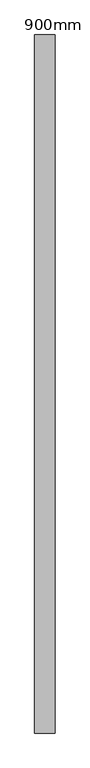
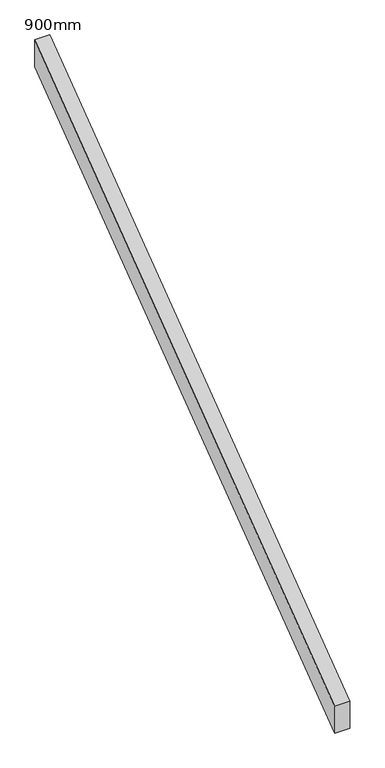
"""IFC4 building model written with IfcOpenShell, lengths in millimetres: railing geometry, 900mm."""

from ifc_helpers import new_model, si_unit, frame, origin, place, context, project, spatial, polyline, outline, extrude, source, transform, mapped, element, save


def railing_900mm_837cfbd9(model_context):
    return source(origin(), model_context, "Body", "SweptSolid", [
        extrude(outline(polyline([(47632.3789291, 4357.25), (47632.3789291, 4452.5), (49382.3789291, 5765.0), (49382.3789291, 5669.75), (47632.3789291, 4357.25)])), frame((152414.7530841, 0.0, 0.0), z_axis=(1.0, 0.0, 0.0), x_axis=(0.0, 1.0, 0.0)), (0.0, 0.0, 1.0), 50.8),
    ])


if __name__ == "__main__":
    model = new_model("IFC4")
    model_context = context("Model", 3, world=origin())
    ifc_project = project(units=[si_unit("LENGTHUNIT", "METRE", prefix="MILLI")], contexts=[model_context])
    site = spatial("IfcSite", under=ifc_project)
    building = spatial("IfcBuilding", under=site)
    placement = place(None, origin())
    railing_900mm_shape = railing_900mm_837cfbd9(model_context)
    element("IfcRailing", 1, ObjectType="900mm", at=placement, inside=building, context=model_context, shape_type="MappedRepresentation", body=[
        mapped(railing_900mm_shape, transform((0.0, 0.0, 0.0), x_axis=(1.0, 0.0, 0.0), y_axis=(0.0, 1.0, 0.0), z_axis=(0.0, 0.0, 1.0))),
    ])
    save(model, "model.ifc")
